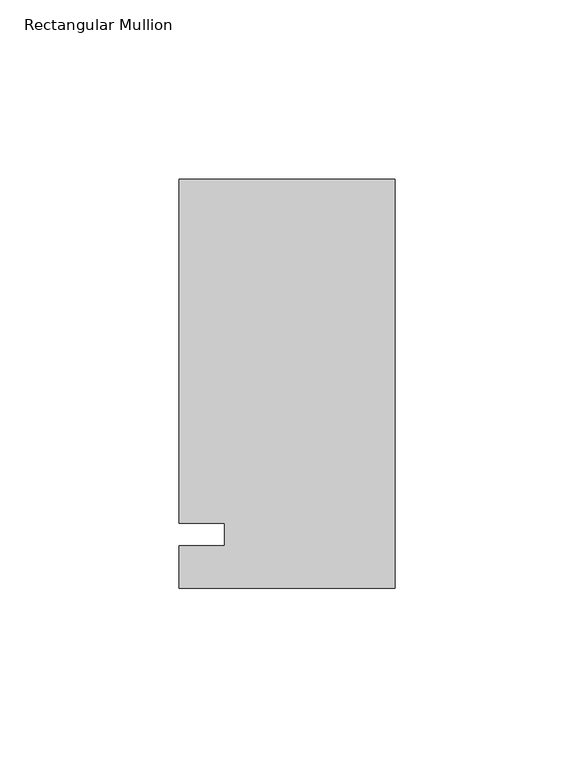
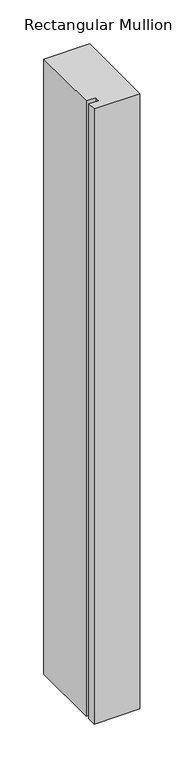
"""IFC4 building model written with IfcOpenShell, lengths in millimetres: member geometry, Rectangular Mullion."""

from ifc_helpers import new_model, si_unit, frame, origin, place, context, project, spatial, polyline, outline, extrude, source, transform, mapped, element, save


def rectangular_mullion_79344d66(model_context):
    return source(origin(), model_context, "Body", "SweptSolid", [
        extrude(outline(polyline([(-60.325, 99.21875), (0.0, 99.21875), (0.0, -15.08125), (-60.325, -15.08125), (-60.325, -3.175), (-47.625, -3.175), (-47.625, 3.175), (-60.325, 3.175), (-60.325, 99.21875)])), frame((0.0, 0.0, -855.2344027), z_axis=(0.0, 0.0, 1.0), x_axis=(1.0, 0.0, 0.0)), (0.0, 0.0, 1.0), 855.2344027),
    ])


if __name__ == "__main__":
    model = new_model("IFC4")
    model_context = context("Model", 3, world=origin())
    ifc_project = project(units=[si_unit("LENGTHUNIT", "METRE", prefix="MILLI")], contexts=[model_context])
    site = spatial("IfcSite", under=ifc_project)
    building = spatial("IfcBuilding", under=site)
    placement = place(None, origin())
    rectangular_mullion_shape = rectangular_mullion_79344d66(model_context)
    element("IfcMember", 1, ObjectType="Rectangular Mullion", at=placement, inside=building, context=model_context, shape_type="MappedRepresentation", body=[
        mapped(rectangular_mullion_shape, transform((0.0, 0.0, 0.0), x_axis=(1.0, 0.0, 0.0), y_axis=(0.0, 1.0, 0.0), z_axis=(0.0, 0.0, 1.0))),
    ])
    save(model, "model.ifc")
